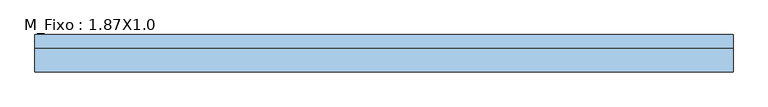
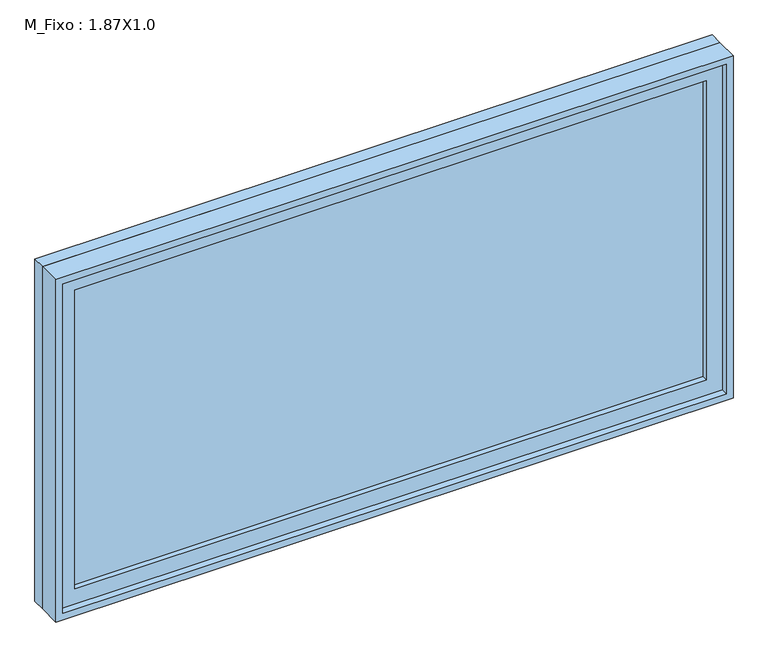
"""IFC4 building model written with IfcOpenShell, lengths in millimetres: window geometry, M_Fixo : 1.87X1.0."""

from ifc_helpers import new_model, si_unit, frame, origin, place, context, project, spatial, polyline, outline, extrude, source, transform, mapped, element, save


def m_fixo_1_87x1_0_f3bf7a9e(model_context):
    return source(origin(), model_context, "Body", "SweptSolid", [
        extrude(outline(polyline([(-872.0, -28.0), (-872.0, -16.0), (872.0, -16.0), (872.0, -28.0), (-872.0, -28.0)])), frame((0.0, 0.0, 1063.0), z_axis=(0.0, 0.0, 1.0), x_axis=(1.0, 0.0, 0.0)), (0.0, 0.0, 1.0), 874.0),
        extrude(outline(polyline([(1981.0, -916.0), (1019.0, -916.0), (1019.0, 916.0), (1981.0, 916.0), (1981.0, -916.0)]), holes=[polyline([(1937.0, -872.0), (1937.0, 872.0), (1063.0, 872.0), (1063.0, -872.0), (1937.0, -872.0)])]), frame((0.0, -44.0, 0.0), z_axis=(0.0, 1.0, 0.0), x_axis=(0.0, 0.0, 1.0)), (0.0, 0.0, 1.0), 44.0),
        extrude(outline(polyline([(2000.0, -935.0), (1000.0, -935.0), (1000.0, 935.0), (2000.0, 935.0), (2000.0, -935.0)]), holes=[polyline([(1981.0, -916.0), (1981.0, 916.0), (1019.0, 916.0), (1019.0, -916.0), (1981.0, -916.0)])]), frame((0.0, -63.0, 0.0), z_axis=(0.0, 1.0, 0.0), x_axis=(0.0, 0.0, 1.0)), (0.0, 0.0, 1.0), 63.0),
        extrude(outline(polyline([(2000.0, -935.0), (1000.0, -935.0), (1000.0, 935.0), (2000.0, 935.0), (2000.0, -935.0)]), holes=[polyline([(1968.0, -903.0), (1968.0, 903.0), (1032.0, 903.0), (1032.0, -903.0), (1968.0, -903.0)])]), frame((0.0, 0.0, 0.0), z_axis=(0.0, 1.0, 0.0), x_axis=(0.0, 0.0, 1.0)), (0.0, 0.0, 1.0), 37.0),
    ])


if __name__ == "__main__":
    model = new_model("IFC4")
    model_context = context("Model", 3, world=origin())
    ifc_project = project(units=[si_unit("LENGTHUNIT", "METRE", prefix="MILLI")], contexts=[model_context])
    site = spatial("IfcSite", under=ifc_project)
    building = spatial("IfcBuilding", under=site)
    placement = place(None, origin())
    m_fixo_1_87x1_0_shape = m_fixo_1_87x1_0_f3bf7a9e(model_context)
    element("IfcWindow", 1, ObjectType="M_Fixo : 1.87X1.0", at=placement, inside=building, context=model_context, shape_type="MappedRepresentation", body=[
        mapped(m_fixo_1_87x1_0_shape, transform((0.0, 0.0, 0.0), x_axis=(1.0, 0.0, 0.0), y_axis=(0.0, 1.0, 0.0), z_axis=(0.0, 0.0, 1.0))),
    ])
    save(model, "model.ifc")
